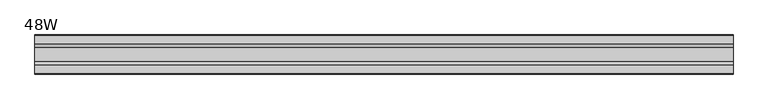
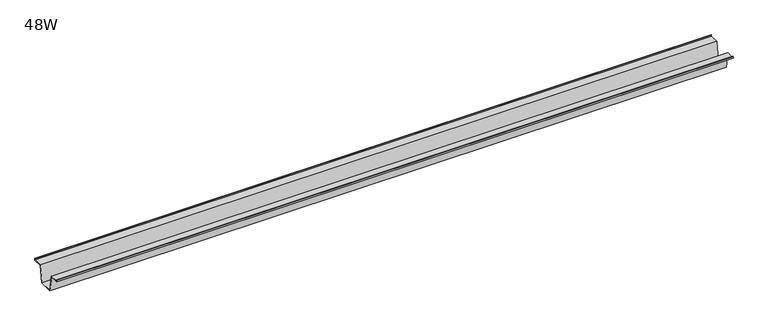
"""IFC4 building model written with IfcOpenShell, lengths in millimetres: furniture geometry, 48W."""

from ifc_helpers import new_model, si_unit, frame, origin, place, context, project, spatial, polyline, outline, extrude, source, transform, mapped, element, save


def furniture_48w_f89aac70(model_context):
    return source(origin(), model_context, "Body", "SweptSolid", [
        extrude(outline(polyline([(-22.9397721, 703.834), (-28.502372, 673.6080007), (-53.9023728, 673.6080007), (-59.4649727, 703.834), (-75.3653716, 703.834), (-75.3653716, 707.009), (-74.5716216, 707.009), (-74.5716216, 704.62775), (-58.8172994, 704.62775), (-53.2546995, 674.4017507), (-29.1500453, 674.4017507), (-23.5874454, 704.62775), (-7.8331232, 704.62775), (-7.8331232, 707.009), (-7.0393732, 707.009), (-7.0393732, 703.834), (-22.9397721, 703.834)])), frame((-609.6, 0.0, 0.0), z_axis=(1.0, 0.0, 0.0), x_axis=(0.0, 1.0, 0.0)), (0.0, 0.0, 1.0), 1219.2),
    ])


if __name__ == "__main__":
    model = new_model("IFC4")
    model_context = context("Model", 3, world=origin())
    ifc_project = project(units=[si_unit("LENGTHUNIT", "METRE", prefix="MILLI")], contexts=[model_context])
    site = spatial("IfcSite", under=ifc_project)
    building = spatial("IfcBuilding", under=site)
    placement = place(None, origin())
    furniture_48w_shape = furniture_48w_f89aac70(model_context)
    element("IfcFurniture", 1, ObjectType="48W", at=placement, inside=building, context=model_context, shape_type="MappedRepresentation", body=[
        mapped(furniture_48w_shape, transform((0.0, 0.0, 0.0), x_axis=(1.0, 0.0, 0.0), y_axis=(0.0, 1.0, 0.0), z_axis=(0.0, 0.0, 1.0))),
    ])
    save(model, "model.ifc")
